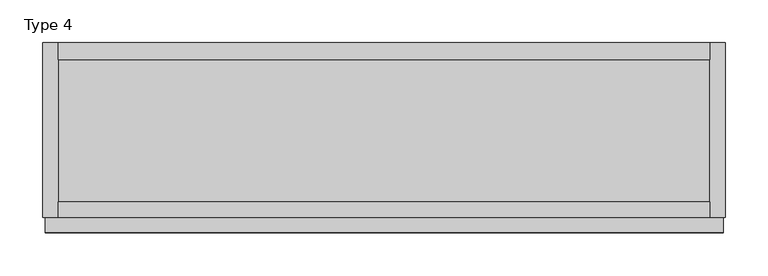
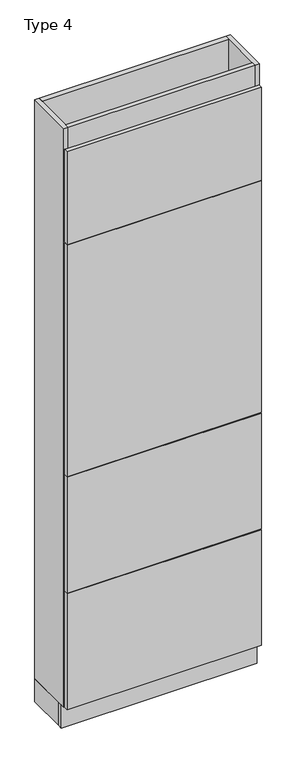
"""IFC4 building model written with IfcOpenShell, lengths in millimetres: furniture geometry, Type 4."""

from ifc_helpers import new_model, si_unit, frame, origin, origin_with_axes, place, context, project, spatial, polyline, outline, extrude, source, transform, mapped, element, save


def type_4_f0e35b04(model_context):
    return source(origin(), model_context, "Body", "SweptSolid", [
        extrude(outline(polyline([(626.7003264, -187.0), (626.7003264, -205.0), (-137.2996736, -205.0), (-137.2996736, -187.0), (626.7003264, -187.0)])), frame((0.0, 0.0, 100.0), z_axis=(0.0, 0.0, 1.0), x_axis=(1.0, 0.0, 0.0)), (0.0, 0.0, 1.0), 2500.0),
        extrude(outline(polyline([(626.7003264, 0.0), (626.7003264, -20.0), (-137.2996736, -20.0), (-137.2996736, 0.0), (626.7003264, 0.0)])), frame((0.0, 0.0, 100.0), z_axis=(0.0, 0.0, 1.0), x_axis=(1.0, 0.0, 0.0)), (0.0, 0.0, 1.0), 2500.0),
        extrude(outline(polyline([(626.7003264, 0.0), (644.7003264, 0.0), (644.7003264, -205.0), (626.7003264, -205.0), (626.7003264, 0.0)])), frame((0.0, 0.0, 100.0), z_axis=(0.0, 0.0, 1.0), x_axis=(1.0, 0.0, 0.0)), (0.0, 0.0, 1.0), 2500.0),
        extrude(outline(polyline([(-137.2996736, 0.0), (-137.2996736, -205.0), (-155.2996736, -205.0), (-155.2996736, 0.0), (-137.2996736, 0.0)])), frame((0.0, 0.0, 100.0), z_axis=(0.0, 0.0, 1.0), x_axis=(1.0, 0.0, 0.0)), (0.0, 0.0, 1.0), 2500.0),
        extrude(outline(polyline([(642.2003264, -223.0), (-152.2996736, -223.0), (-152.2996736, -205.0), (642.2003264, -205.0), (642.2003264, -223.0)])), frame((0.0, 0.0, 2109.0), z_axis=(0.0, 0.0, 1.0), x_axis=(1.0, 0.0, 0.0)), (0.0, 0.0, 1.0), 400.0),
        extrude(outline(polyline([(642.2003264, -223.0), (-152.2996736, -223.0), (-152.2996736, -205.0), (642.2003264, -205.0), (642.2003264, -223.0)])), frame((0.0, 0.0, 603.0), z_axis=(0.0, 0.0, 1.0), x_axis=(1.0, 0.0, 0.0)), (0.0, 0.0, 1.0), 500.0),
        extrude(outline(polyline([(644.7003264, -168.75), (644.7003264, -186.75), (-155.2996736, -186.75), (-155.2996736, -168.75), (644.7003264, -168.75)])), origin_with_axes(), (0.0, 0.0, 1.0), 100.0),
        extrude(outline(polyline([(-155.2996736, 0.0), (-137.2996736, 0.0), (-137.2996736, -168.75), (-155.2996736, -168.75), (-155.2996736, 0.0)])), origin_with_axes(), (0.0, 0.0, 1.0), 100.0),
        extrude(outline(polyline([(644.7003264, 0.0), (644.7003264, -168.75), (626.7003264, -168.75), (626.7003264, 0.0), (644.7003264, 0.0)])), origin_with_axes(), (0.0, 0.0, 1.0), 100.0),
        extrude(outline(polyline([(626.7003264, -205.0), (-137.2996736, -205.0), (-137.2996736, -20.0), (626.7003264, -20.0), (626.7003264, -205.0)])), frame((0.0, 0.0, 100.0), z_axis=(0.0, 0.0, 1.0), x_axis=(1.0, 0.0, 0.0)), (0.0, 0.0, 1.0), 18.0),
        extrude(outline(polyline([(642.2003264, -223.0), (-152.2996736, -223.0), (-152.2996736, -205.0), (642.2003264, -205.0), (642.2003264, -223.0)])), frame((0.0, 0.0, 100.0), z_axis=(0.0, 0.0, 1.0), x_axis=(1.0, 0.0, 0.0)), (0.0, 0.0, 1.0), 500.0),
        extrude(outline(polyline([(642.2003264, -223.0), (-152.2996736, -223.0), (-152.2996736, -205.0), (642.2003264, -205.0), (642.2003264, -223.0)])), frame((0.0, 0.0, 1106.0), z_axis=(0.0, 0.0, 1.0), x_axis=(1.0, 0.0, 0.0)), (0.0, 0.0, 1.0), 1000.0),
    ])


if __name__ == "__main__":
    model = new_model("IFC4")
    model_context = context("Model", 3, world=origin())
    ifc_project = project(units=[si_unit("LENGTHUNIT", "METRE", prefix="MILLI")], contexts=[model_context])
    site = spatial("IfcSite", under=ifc_project)
    building = spatial("IfcBuilding", under=site)
    placement = place(None, origin())
    type_4_shape = type_4_f0e35b04(model_context)
    element("IfcFurniture", 1, ObjectType="Type 4", at=placement, inside=building, context=model_context, shape_type="MappedRepresentation", body=[
        mapped(type_4_shape, transform((0.0, 0.0, 0.0), x_axis=(1.0, 0.0, 0.0), y_axis=(0.0, 1.0, 0.0), z_axis=(0.0, 0.0, 1.0))),
    ])
    save(model, "model.ifc")
